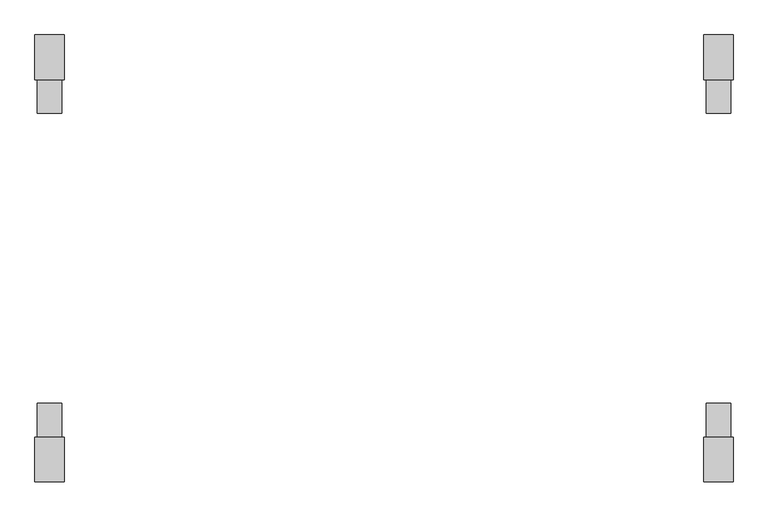
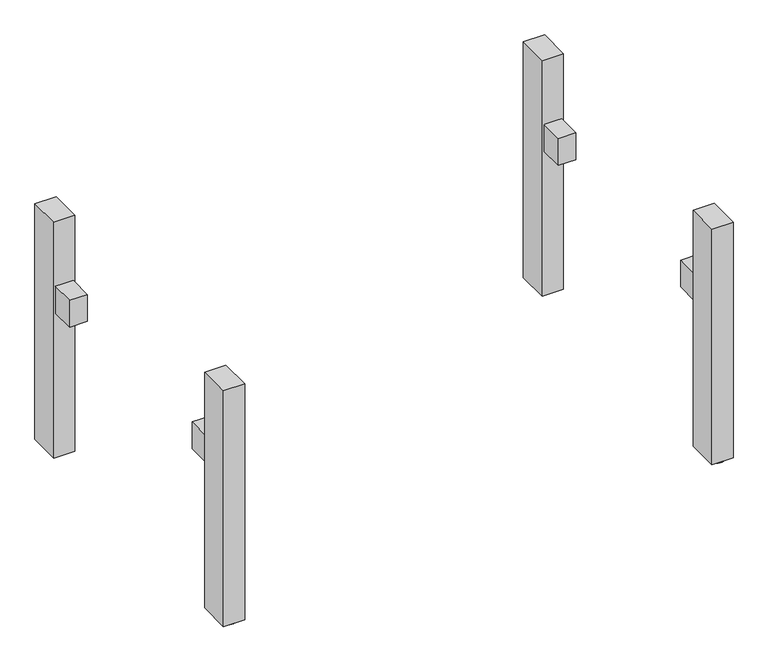
"""IFC4 building model written with IfcOpenShell, lengths in millimetres: furniture geometry."""

import ifcopenshell
import ifcopenshell.guid

model = None  # the IFC model being written
_history = None  # IfcOwnerHistory: only IFC2X3 demands one
_inside = {}  # id of a spatial element -> (the spatial element, [elements in it])
_under = {}  # id of a project, library or spatial element -> (it, [spatial elements below it])
_declared = {}  # id of a project -> (the project, [libraries it declares])
_typed = {}  # id of a type object -> (the type object, [elements of that type])
_made_of = {}  # id of a material, layer set ... -> (it, [elements and type objects made of it])


def new_model(schema):
    """Start an empty IFC model of exactly this schema.

    Asked for "IFC4X3", IfcOpenShell would pick the latest addendum, in which some entities
    have other attributes; the version numbers below select the first issue.
    IFC2X3 requires an IfcOwnerHistory on every rooted entity: one is made here for all.
    """
    global model, _history
    if schema == "IFC4X3":
        model = ifcopenshell.file(schema_version=(4, 3, 0, 0))
    else:
        model = ifcopenshell.file(schema=schema)
    _inside.clear()
    _under.clear()
    _declared.clear()
    _typed.clear()
    _made_of.clear()
    _history = None
    if model.schema == "IFC2X3":
        org = make("IfcOrganization", Name="unknown")
        user = make(
            "IfcPersonAndOrganization",
            ThePerson=make("IfcPerson", FamilyName="unknown"),
            TheOrganization=org,
        )
        app = make(
            "IfcApplication",
            ApplicationDeveloper=org,
            Version="unknown",
            ApplicationFullName="unknown",
            ApplicationIdentifier="unknown",
        )
        _history = make(
            "IfcOwnerHistory",
            OwningUser=user,
            OwningApplication=app,
            ChangeAction="ADDED",
            CreationDate=0,
        )
    return model


def make(cls, **values):
    """One entity of the class cls with the attributes given. An attribute that is None is left unset."""
    return model.create_entity(
        cls, **{name: value for name, value in values.items() if value is not None}
    )


def rooted(cls, **values):
    """An entity with a GlobalId (a new one), such as an element, a storey or a relation."""
    return make(cls, GlobalId=ifcopenshell.guid.new(), OwnerHistory=_history, **values)


def si_unit(unit_type, name, prefix=None):
    """IfcSIUnit, for example si_unit("LENGTHUNIT", "METRE", prefix="MILLI")."""
    return make("IfcSIUnit", UnitType=unit_type, Prefix=prefix, Name=name)


def assignment(units):
    """IfcUnitAssignment: the units of a project."""
    return None if units is None else make("IfcUnitAssignment", Units=units)


def point(xyz):
    """IfcCartesianPoint."""
    return None if xyz is None else make("IfcCartesianPoint", Coordinates=xyz)


def direction(xyz):
    """IfcDirection."""
    return None if xyz is None else make("IfcDirection", DirectionRatios=xyz)


def frame(location, z_axis=None, x_axis=None):
    """IfcAxis2Placement3D, a coordinate frame: its origin and axes. An axis left out is left unset."""
    return make(
        "IfcAxis2Placement3D",
        Location=point(location),
        Axis=direction(z_axis),
        RefDirection=direction(x_axis),
    )


def frame_2d(location, x_axis=None):
    """IfcAxis2Placement2D, a coordinate frame in the plane: its origin and x axis."""
    return make(
        "IfcAxis2Placement2D", Location=point(location), RefDirection=direction(x_axis)
    )


def origin():
    """The frame at (0, 0, 0) with its axes left unset."""
    return frame((0.0, 0.0, 0.0))


def origin_with_axes():
    """The frame at (0, 0, 0) with the z axis (0, 0, 1) and the x axis (1, 0, 0) written out."""
    return frame((0.0, 0.0, 0.0), z_axis=(0.0, 0.0, 1.0), x_axis=(1.0, 0.0, 0.0))


def place(relative_to, where):
    """IfcLocalPlacement: puts the frame where relative to a parent placement (None: the world)."""
    return make(
        "IfcLocalPlacement", PlacementRelTo=relative_to, RelativePlacement=where
    )


def context(
    kind, dimensions, precision=None, world=None, true_north=None, identifier=None
):
    """IfcGeometricRepresentationContext, for example the 3D "Model" context."""
    return make(
        "IfcGeometricRepresentationContext",
        ContextIdentifier=identifier,
        ContextType=kind,
        CoordinateSpaceDimension=dimensions,
        Precision=precision,
        WorldCoordinateSystem=world,
        TrueNorth=true_north,
    )


def project(units=None, contexts=None):
    """IfcProject with its units and contexts."""
    return rooted(
        "IfcProject",
        Name="project",
        RepresentationContexts=contexts,
        UnitsInContext=assignment(units),
    )


def spatial(cls, under=None, at=None, **own):
    """A site, building, storey or space (cls), placed at a placement, below another one or the project."""
    s = rooted(cls, ObjectPlacement=at, **own)
    if under is not None:
        _under.setdefault(under.id(), (under, []))[1].append(s)
    return s


def polyline(points):
    """IfcPolyline through the points."""
    return make("IfcPolyline", Points=[point(p) for p in points])


def circle_curve(where, radius):
    """IfcCircle in the frame where."""
    return make("IfcCircle", Position=where, Radius=radius)


def trimmed(basis, trim1, trim2, sense, master):
    """IfcTrimmedCurve: the piece of a basis curve between two trims."""
    return make(
        "IfcTrimmedCurve",
        BasisCurve=basis,
        Trim1=trim1,
        Trim2=trim2,
        SenseAgreement=sense,
        MasterRepresentation=master,
    )


def segment(curve, same_sense, transition):
    """IfcCompositeCurveSegment."""
    return make(
        "IfcCompositeCurveSegment",
        Transition=transition,
        SameSense=same_sense,
        ParentCurve=curve,
    )


def composite_curve(segments, self_intersect=None):
    """IfcCompositeCurve: segments joined end to end."""
    return make("IfcCompositeCurve", Segments=segments, SelfIntersect=self_intersect)


def outline(outer, holes=None, kind="AREA"):
    """IfcArbitraryClosedProfileDef: a profile drawn as a closed curve; with holes, ...WithVoids."""
    if holes is None:
        return make("IfcArbitraryClosedProfileDef", ProfileType=kind, OuterCurve=outer)
    return make(
        "IfcArbitraryProfileDefWithVoids",
        ProfileType=kind,
        OuterCurve=outer,
        InnerCurves=holes,
    )


def extrude(swept, where, along, depth):
    """IfcExtrudedAreaSolid: the profile swept, set in the frame where, extruded along a direction by depth."""
    return make(
        "IfcExtrudedAreaSolid",
        SweptArea=swept,
        Position=where,
        ExtrudedDirection=direction(along),
        Depth=depth,
    )


def shape(context_of_items, identifier, shape_type, items):
    """IfcShapeRepresentation: the items that make up one representation, for example the "Body"."""
    return make(
        "IfcShapeRepresentation",
        ContextOfItems=context_of_items,
        RepresentationIdentifier=identifier,
        RepresentationType=shape_type,
        Items=items,
    )


def source(mapping_origin, context_of_items, identifier, shape_type, items):
    """IfcRepresentationMap: a shape defined once, which mapped items show again and again."""
    return make(
        "IfcRepresentationMap",
        MappingOrigin=mapping_origin,
        MappedRepresentation=shape(context_of_items, identifier, shape_type, items),
    )


def transform(
    local_origin,
    x_axis=None,
    y_axis=None,
    z_axis=None,
    scale=None,
    scale2=None,
    scale3=None,
    uniform=True,
):
    """IfcCartesianTransformationOperator3D, or its non-uniform kind. x_axis, y_axis, z_axis: its Axis1, 2, 3."""
    if uniform:
        return make(
            "IfcCartesianTransformationOperator3D",
            Axis1=direction(x_axis),
            Axis2=direction(y_axis),
            LocalOrigin=point(local_origin),
            Scale=scale,
            Axis3=direction(z_axis),
        )
    return make(
        "IfcCartesianTransformationOperator3DnonUniform",
        Axis1=direction(x_axis),
        Axis2=direction(y_axis),
        LocalOrigin=point(local_origin),
        Scale=scale,
        Axis3=direction(z_axis),
        Scale2=scale2,
        Scale3=scale3,
    )


def mapped(mapping_source, mapping_target):
    """IfcMappedItem: shows the shape of a source again, moved by a transform."""
    return make(
        "IfcMappedItem", MappingSource=mapping_source, MappingTarget=mapping_target
    )


def made_of(thing, what):
    """Note that an element or type object is made of a material, layer set ...; save() writes the relation."""
    if what is not None:
        _made_of.setdefault(what.id(), (what, []))[1].append(thing)
    return thing


def element(
    cls,
    number,
    at=None,
    inside=None,
    cuts=None,
    type_object=None,
    material=None,
    context=None,
    identifier="Body",
    shape_type=None,
    held_by="IfcProductDefinitionShape",
    body=None,
    shapes=None,
    **own,
):
    """One element of the class cls, such as IfcWall. Its Tag is "e" and its number.

    at: its placement. inside: the storey or other place that contains it. cuts: it is an
    opening in that element (IfcRelVoidsElement). A single representation is given by context,
    identifier, shape_type and body (its items); several are given by shapes. held_by: the class
    of the entity that holds the representations. save() writes the other relations.
    """
    e = rooted(cls, Tag="e%d" % number, ObjectPlacement=at, **own)
    if body is not None:
        shapes = [shape(context, identifier, shape_type, body)]
    if shapes is not None:
        e.Representation = make(held_by, Representations=shapes)
    if inside is not None:
        _inside.setdefault(inside.id(), (inside, []))[1].append(e)
    if cuts is not None:
        rooted(
            "IfcRelVoidsElement", RelatingBuildingElement=cuts, RelatedOpeningElement=e
        )
    if type_object is not None:
        _typed.setdefault(type_object.id(), (type_object, []))[1].append(e)
    return made_of(e, material)


def aggregate(whole, parts):
    """IfcRelAggregates: a whole, such as a stair, and the parts it consists of."""
    return rooted("IfcRelAggregates", RelatingObject=whole, RelatedObjects=parts)


def save(model, path):
    """Write the relations noted so far, then the file.

    IfcRelAggregates (storeys below a building ...), IfcRelContainedInSpatialStructure (elements
    in a storey), IfcRelDefinesByType, IfcRelAssociatesMaterial and IfcRelDeclares: one each for
    every whole, place, type object, material and project.
    """
    for whole, parts in _under.values():
        aggregate(whole, parts)
    for where, things in _inside.values():
        rooted(
            "IfcRelContainedInSpatialStructure",
            RelatedElements=things,
            RelatingStructure=where,
        )
    for kind, things in _typed.values():
        rooted("IfcRelDefinesByType", RelatedObjects=things, RelatingType=kind)
    for what, things in _made_of.values():
        rooted("IfcRelAssociatesMaterial", RelatedObjects=things, RelatingMaterial=what)
    for by, libraries in _declared.values():
        rooted("IfcRelDeclares", RelatingContext=by, RelatedDefinitions=libraries)
    model.write(path)


def furniture_c285d265(model_context):
    return source(origin(), model_context, "Body", "SweptSolid", [
        extrude(outline(polyline([(-715.0, -369.0), (-715.0, -299.0), (-665.0, -299.0), (-665.0, -369.0), (-715.0, -369.0)])), frame((0.0, 0.0, 437.5), z_axis=(0.0, 0.0, 1.0), x_axis=(1.0, 0.0, 0.0)), (0.0, 0.0, 1.0), 80.0),
        extrude(outline(polyline([(665.0, -369.0), (665.0, -299.0), (715.0, -299.0), (715.0, -369.0), (665.0, -369.0)])), frame((0.0, 0.0, 437.5), z_axis=(0.0, 0.0, 1.0), x_axis=(1.0, 0.0, 0.0)), (0.0, 0.0, 1.0), 80.0),
        extrude(outline(polyline([(-665.0, 369.0), (-665.0, 299.0), (-715.0, 299.0), (-715.0, 369.0), (-665.0, 369.0)])), frame((0.0, 0.0, 437.5), z_axis=(0.0, 0.0, 1.0), x_axis=(1.0, 0.0, 0.0)), (0.0, 0.0, 1.0), 80.0),
        extrude(outline(polyline([(715.0, 369.0), (715.0, 299.0), (665.0, 299.0), (665.0, 369.0), (715.0, 369.0)])), frame((0.0, 0.0, 437.5), z_axis=(0.0, 0.0, 1.0), x_axis=(1.0, 0.0, 0.0)), (0.0, 0.0, 1.0), 80.0),
        extrude(outline(composite_curve([segment(trimmed(circle_curve(frame_2d((-689.9999984, -431.0)), 25.0), [point((-714.9999984, -431.0))], [point((-664.9999984, -431.0))], False, "CARTESIAN"), True, "CONTINUOUS"), segment(trimmed(circle_curve(frame_2d((-689.9999984, -431.0)), 25.0), [point((-664.9999984, -431.0))], [point((-714.9999984, -431.0))], False, "CARTESIAN"), True, "CONTINUOUS")], self_intersect=False)), origin_with_axes(), (0.0, 0.0, 1.0), 6.0),
        extrude(outline(composite_curve([segment(trimmed(circle_curve(frame_2d((689.9999984, -431.0)), 25.0), [point((664.9999984, -431.0))], [point((714.9999984, -431.0))], False, "CARTESIAN"), True, "CONTINUOUS"), segment(trimmed(circle_curve(frame_2d((689.9999984, -431.0)), 25.0), [point((714.9999984, -431.0))], [point((664.9999984, -431.0))], False, "CARTESIAN"), True, "CONTINUOUS")], self_intersect=False)), origin_with_axes(), (0.0, 0.0, 1.0), 6.0),
        extrude(outline(composite_curve([segment(trimmed(circle_curve(frame_2d((-689.9999984, 431.0)), 25.0), [point((-714.9999984, 431.0))], [point((-664.9999984, 431.0))], False, "CARTESIAN"), True, "CONTINUOUS"), segment(trimmed(circle_curve(frame_2d((-689.9999984, 431.0)), 25.0), [point((-664.9999984, 431.0))], [point((-714.9999984, 431.0))], False, "CARTESIAN"), True, "CONTINUOUS")], self_intersect=False)), origin_with_axes(), (0.0, 0.0, 1.0), 6.0),
        extrude(outline(composite_curve([segment(trimmed(circle_curve(frame_2d((689.9999984, 431.0)), 25.0), [point((664.9999984, 431.0))], [point((714.9999984, 431.0))], False, "CARTESIAN"), True, "CONTINUOUS"), segment(trimmed(circle_curve(frame_2d((689.9999984, 431.0)), 25.0), [point((714.9999984, 431.0))], [point((664.9999984, 431.0))], False, "CARTESIAN"), True, "CONTINUOUS")], self_intersect=False)), origin_with_axes(), (0.0, 0.0, 1.0), 6.0),
        extrude(outline(polyline([(-659.9999968, 461.0), (-659.9999968, 369.0), (-720.0, 369.0), (-720.0, 461.0), (-659.9999968, 461.0)])), frame((0.0, 0.0, 6.0), z_axis=(0.0, 0.0, 1.0), x_axis=(1.0, 0.0, 0.0)), (0.0, 0.0, 1.0), 704.0),
        extrude(outline(polyline([(659.9999968, 461.0), (720.0, 461.0), (720.0, 369.0), (659.9999968, 369.0), (659.9999968, 461.0)])), frame((0.0, 0.0, 6.0), z_axis=(0.0, 0.0, 1.0), x_axis=(1.0, 0.0, 0.0)), (0.0, 0.0, 1.0), 704.0),
        extrude(outline(polyline([(-659.9999968, -461.0), (-720.0, -461.0), (-720.0, -369.0), (-659.9999968, -369.0), (-659.9999968, -461.0)])), frame((0.0, 0.0, 6.0), z_axis=(0.0, 0.0, 1.0), x_axis=(1.0, 0.0, 0.0)), (0.0, 0.0, 1.0), 704.0),
        extrude(outline(polyline([(659.9999968, -461.0), (659.9999968, -369.0), (720.0, -369.0), (720.0, -461.0), (659.9999968, -461.0)])), frame((0.0, 0.0, 6.0), z_axis=(0.0, 0.0, 1.0), x_axis=(1.0, 0.0, 0.0)), (0.0, 0.0, 1.0), 704.0),
    ])


if __name__ == "__main__":
    model = new_model("IFC4")
    model_context = context("Model", 3, world=origin())
    ifc_project = project(units=[si_unit("LENGTHUNIT", "METRE", prefix="MILLI")], contexts=[model_context])
    site = spatial("IfcSite", under=ifc_project)
    building = spatial("IfcBuilding", under=site)
    placement = place(None, origin())
    furniture_shape = furniture_c285d265(model_context)
    element("IfcFurniture", 1, at=placement, inside=building, context=model_context, shape_type="MappedRepresentation", body=[
        mapped(furniture_shape, transform((0.0, 0.0, 0.0), x_axis=(1.0, 0.0, 0.0), y_axis=(0.0, 1.0, 0.0), z_axis=(0.0, 0.0, 1.0))),
    ])
    save(model, "model.ifc")
